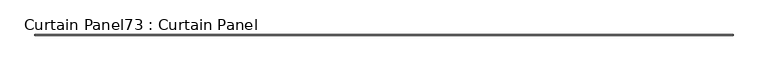
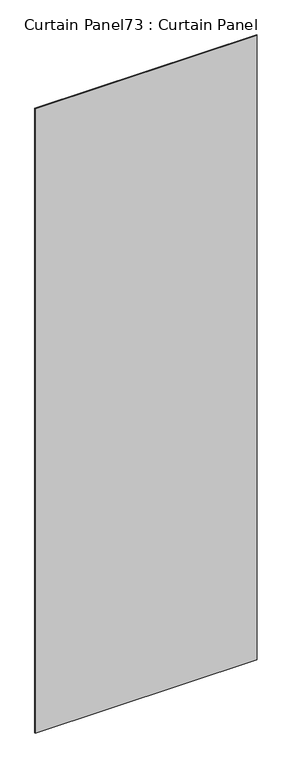
"""IFC4 building model written with IfcOpenShell, lengths in millimetres: plate geometry, Curtain Panel73 : Curtain Panel."""

from ifc_helpers import new_model, si_unit, frame, origin, place, context, project, spatial, polyline, outline, extrude, source, transform, mapped, element, save


def curtain_panel73_curtain_panel_fa3d7af7(model_context):
    return source(origin(), model_context, "Body", "SweptSolid", [
        extrude(outline(polyline([(152249.3266673, 8038.1084949), (146963.2917433, 8038.1084949), (146963.2917433, 8044.4584949), (152249.3266673, 8044.4584949), (152249.3266673, 8038.1084949)])), frame((0.0, 0.0, 1433.7679301), z_axis=(0.0, 0.0, 1.0), x_axis=(1.0, 0.0, 0.0)), (0.0, 0.0, 1.0), 15711.5380959),
    ])


if __name__ == "__main__":
    model = new_model("IFC4")
    model_context = context("Model", 3, world=origin())
    ifc_project = project(units=[si_unit("LENGTHUNIT", "METRE", prefix="MILLI")], contexts=[model_context])
    site = spatial("IfcSite", under=ifc_project)
    building = spatial("IfcBuilding", under=site)
    placement = place(None, origin())
    curtain_panel73_curtain_panel_shape = curtain_panel73_curtain_panel_fa3d7af7(model_context)
    element("IfcPlate", 1, ObjectType="Curtain Panel73 : Curtain Panel", at=placement, inside=building, context=model_context, shape_type="MappedRepresentation", body=[
        mapped(curtain_panel73_curtain_panel_shape, transform((0.0, 0.0, 0.0), x_axis=(1.0, 0.0, 0.0), y_axis=(0.0, 1.0, 0.0), z_axis=(0.0, 0.0, 1.0))),
    ])
    save(model, "model.ifc")
